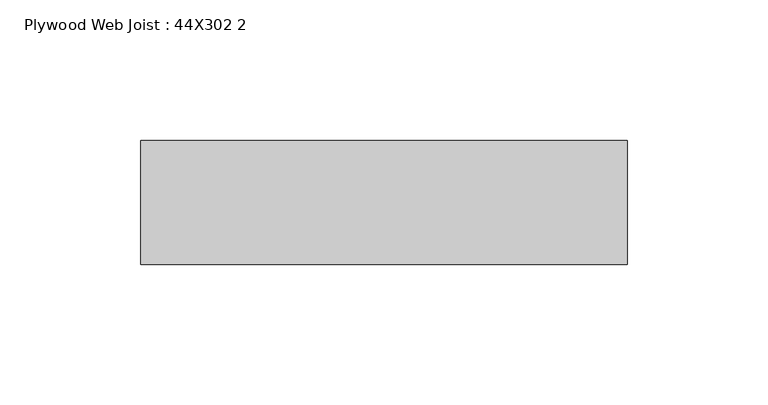
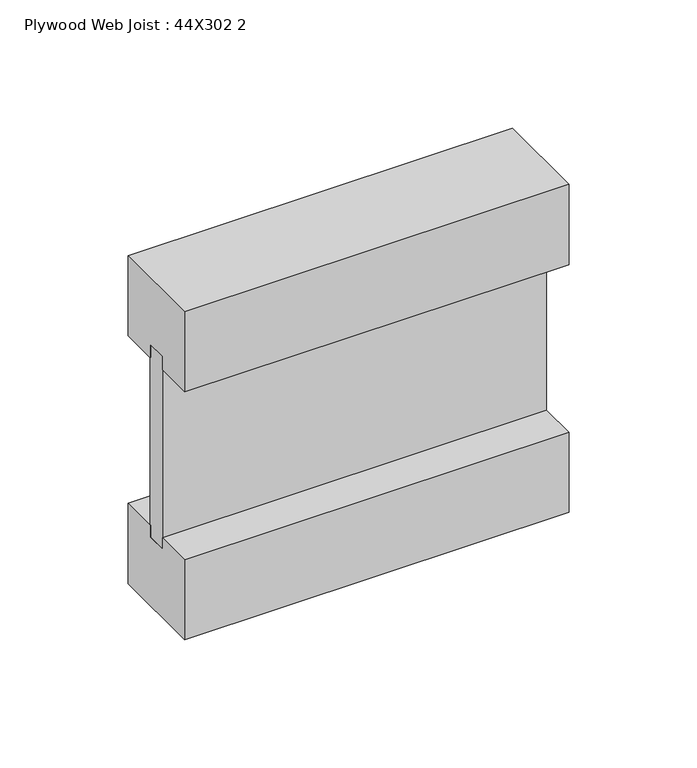
"""IFC4 building model written with IfcOpenShell, lengths in millimetres: beam geometry, Plywood Web Joist : 44X302 2."""

from ifc_helpers import new_model, si_unit, frame, origin, place, context, project, spatial, polyline, outline, extrude, source, transform, mapped, element, save


def plywood_web_joist_44x302_2_81697f2b(model_context):
    return source(origin(), model_context, "Body", "SweptSolid", [
        extrude(outline(polyline([(-22.0, 78.0), (22.0, 78.0), (22.0, 39.9), (4.7625, 39.9), (4.7625, 46.25), (-4.7625, 46.25), (-4.7625, 39.9), (-22.0, 39.9), (-22.0, 78.0)])), frame((-147.8539239, 0.0, 0.0), z_axis=(1.0, 0.0, 0.0), x_axis=(0.0, 1.0, 0.0)), (0.0, 0.0, 1.0), 172.8539239),
        extrude(outline(polyline([(22.0, -39.9), (22.0, -78.0), (-22.0, -78.0), (-22.0, -39.9), (-4.7625, -39.9), (-4.7625, -45.5160374), (4.7625, -45.5160374), (4.7625, -39.9), (22.0, -39.9)])), frame((-147.8539239, 0.0, 0.0), z_axis=(1.0, 0.0, 0.0), x_axis=(0.0, 1.0, 0.0)), (0.0, 0.0, 1.0), 172.8539239),
        extrude(outline(polyline([(25.0, 4.7625), (25.0, -4.7625), (-147.8539239, -4.7625), (-147.8539239, 4.7625), (25.0, 4.7625)])), frame((0.0, 0.0, -45.5160374), z_axis=(0.0, 0.0, 1.0), x_axis=(1.0, 0.0, 0.0)), (0.0, 0.0, 1.0), 91.7660374),
    ])


if __name__ == "__main__":
    model = new_model("IFC4")
    model_context = context("Model", 3, world=origin())
    ifc_project = project(units=[si_unit("LENGTHUNIT", "METRE", prefix="MILLI")], contexts=[model_context])
    site = spatial("IfcSite", under=ifc_project)
    building = spatial("IfcBuilding", under=site)
    placement = place(None, origin())
    plywood_web_joist_44x302_2_shape = plywood_web_joist_44x302_2_81697f2b(model_context)
    element("IfcBeam", 1, ObjectType="Plywood Web Joist : 44X302 2", at=placement, inside=building, context=model_context, shape_type="MappedRepresentation", body=[
        mapped(plywood_web_joist_44x302_2_shape, transform((0.0, 0.0, 0.0), x_axis=(1.0, 0.0, 0.0), y_axis=(0.0, 1.0, 0.0), z_axis=(0.0, 0.0, 1.0))),
    ])
    save(model, "model.ifc")
